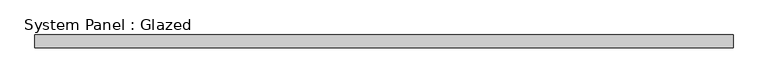
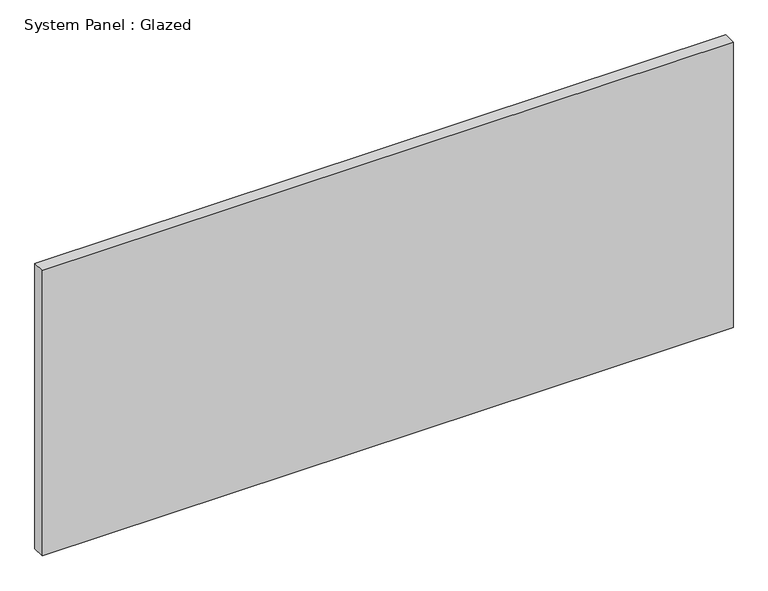
"""IFC4 building model written with IfcOpenShell, lengths in millimetres: plate geometry, System Panel : Glazed."""

from ifc_helpers import new_model, si_unit, origin, origin_with_axes, place, context, project, spatial, polyline, outline, extrude, source, transform, mapped, element, save


def system_panel_glazed_a213b1aa(model_context):
    return source(origin(), model_context, "Body", "SweptSolid", [
        extrude(outline(polyline([(697.5881809, 19.05), (-697.5881809, 19.05), (-697.5881809, 44.45), (697.5881809, 44.45), (697.5881809, 19.05)])), origin_with_axes(), (0.0, 0.0, 1.0), 609.6),
    ])


if __name__ == "__main__":
    model = new_model("IFC4")
    model_context = context("Model", 3, world=origin())
    ifc_project = project(units=[si_unit("LENGTHUNIT", "METRE", prefix="MILLI")], contexts=[model_context])
    site = spatial("IfcSite", under=ifc_project)
    building = spatial("IfcBuilding", under=site)
    placement = place(None, origin())
    system_panel_glazed_shape = system_panel_glazed_a213b1aa(model_context)
    element("IfcPlate", 1, ObjectType="System Panel : Glazed", at=placement, inside=building, context=model_context, shape_type="MappedRepresentation", body=[
        mapped(system_panel_glazed_shape, transform((0.0, 0.0, 0.0), x_axis=(1.0, 0.0, 0.0), y_axis=(0.0, 1.0, 0.0), z_axis=(0.0, 0.0, 1.0))),
    ])
    save(model, "model.ifc")
